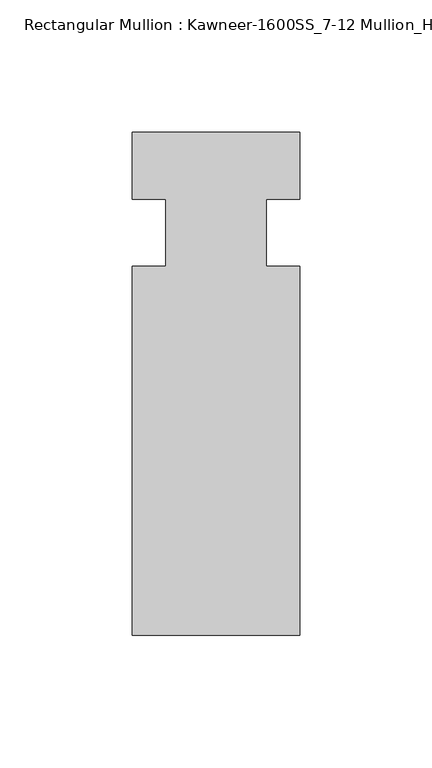
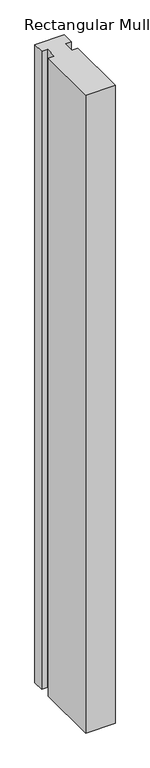
"""IFC4 building model written with IfcOpenShell, lengths in millimetres: member geometry, Rectangular Mullion : Kawneer-1600SS_7-12 Mullion_Horizontal."""

from ifc_helpers import new_model, si_unit, frame, origin, place, context, project, spatial, polyline, outline, extrude, source, transform, mapped, element, save


def rectangular_mullion_kawneer_1600ss_7_12_mullion_horizontal_4ea52994(model_context):
    return source(origin(), model_context, "Body", "SweptSolid", [
        extrude(outline(polyline([(36.0844027, -152.4), (-27.4155973, -152.4), (-27.4155973, -12.7), (-14.7155973, -12.7), (-14.7155973, 12.7), (-27.4155973, 12.7), (-27.4155973, 38.1), (36.0844027, 38.1), (36.0844027, 12.7), (23.3826322, 12.7), (23.3826322, -12.7), (36.0844027, -12.7), (36.0844027, -152.4)])), frame((0.0, 0.0, -1460.5), z_axis=(0.0, 0.0, 1.0), x_axis=(1.0, 0.0, 0.0)), (0.0, 0.0, 1.0), 1460.5),
    ])


if __name__ == "__main__":
    model = new_model("IFC4")
    model_context = context("Model", 3, world=origin())
    ifc_project = project(units=[si_unit("LENGTHUNIT", "METRE", prefix="MILLI")], contexts=[model_context])
    site = spatial("IfcSite", under=ifc_project)
    building = spatial("IfcBuilding", under=site)
    placement = place(None, origin())
    rectangular_mullion_kawneer_1600ss_7_12_mullion_horizontal_shape = rectangular_mullion_kawneer_1600ss_7_12_mullion_horizontal_4ea52994(model_context)
    element("IfcMember", 1, ObjectType="Rectangular Mullion : Kawneer-1600SS_7-12 Mullion_Horizontal", at=placement, inside=building, context=model_context, shape_type="MappedRepresentation", body=[
        mapped(rectangular_mullion_kawneer_1600ss_7_12_mullion_horizontal_shape, transform((0.0, 0.0, 0.0), x_axis=(1.0, 0.0, 0.0), y_axis=(0.0, 1.0, 0.0), z_axis=(0.0, 0.0, 1.0))),
    ])
    save(model, "model.ifc")
